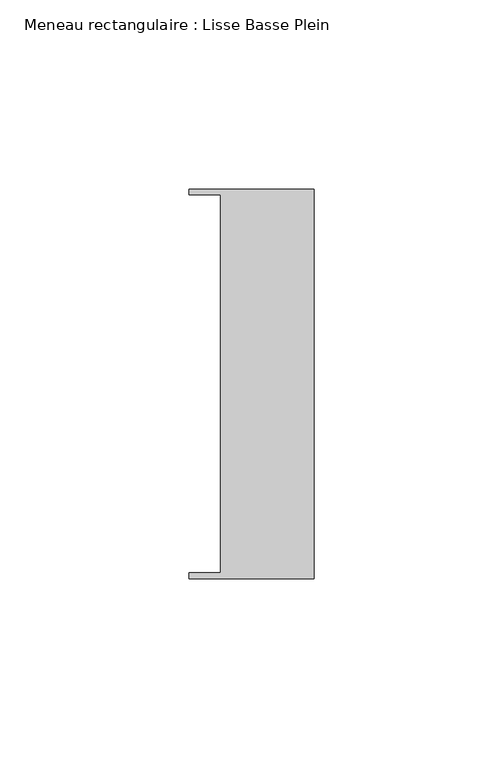
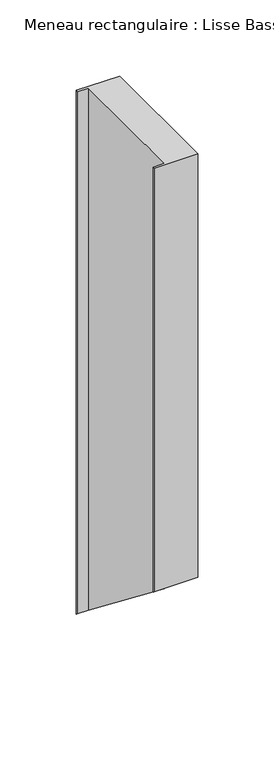
"""IFC4 building model written with IfcOpenShell, lengths in millimetres: member geometry, Meneau rectangulaire : Lisse Basse Plein."""

import ifcopenshell
import ifcopenshell.guid

model = None  # the IFC model being written
_history = None  # IfcOwnerHistory: only IFC2X3 demands one
_inside = {}  # id of a spatial element -> (the spatial element, [elements in it])
_under = {}  # id of a project, library or spatial element -> (it, [spatial elements below it])
_declared = {}  # id of a project -> (the project, [libraries it declares])
_typed = {}  # id of a type object -> (the type object, [elements of that type])
_made_of = {}  # id of a material, layer set ... -> (it, [elements and type objects made of it])


def new_model(schema):
    """Start an empty IFC model of exactly this schema.

    Asked for "IFC4X3", IfcOpenShell would pick the latest addendum, in which some entities
    have other attributes; the version numbers below select the first issue.
    IFC2X3 requires an IfcOwnerHistory on every rooted entity: one is made here for all.
    """
    global model, _history
    if schema == "IFC4X3":
        model = ifcopenshell.file(schema_version=(4, 3, 0, 0))
    else:
        model = ifcopenshell.file(schema=schema)
    _inside.clear()
    _under.clear()
    _declared.clear()
    _typed.clear()
    _made_of.clear()
    _history = None
    if model.schema == "IFC2X3":
        org = make("IfcOrganization", Name="unknown")
        user = make(
            "IfcPersonAndOrganization",
            ThePerson=make("IfcPerson", FamilyName="unknown"),
            TheOrganization=org,
        )
        app = make(
            "IfcApplication",
            ApplicationDeveloper=org,
            Version="unknown",
            ApplicationFullName="unknown",
            ApplicationIdentifier="unknown",
        )
        _history = make(
            "IfcOwnerHistory",
            OwningUser=user,
            OwningApplication=app,
            ChangeAction="ADDED",
            CreationDate=0,
        )
    return model


def make(cls, **values):
    """One entity of the class cls with the attributes given. An attribute that is None is left unset."""
    return model.create_entity(
        cls, **{name: value for name, value in values.items() if value is not None}
    )


def rooted(cls, **values):
    """An entity with a GlobalId (a new one), such as an element, a storey or a relation."""
    return make(cls, GlobalId=ifcopenshell.guid.new(), OwnerHistory=_history, **values)


def si_unit(unit_type, name, prefix=None):
    """IfcSIUnit, for example si_unit("LENGTHUNIT", "METRE", prefix="MILLI")."""
    return make("IfcSIUnit", UnitType=unit_type, Prefix=prefix, Name=name)


def assignment(units):
    """IfcUnitAssignment: the units of a project."""
    return None if units is None else make("IfcUnitAssignment", Units=units)


def point(xyz):
    """IfcCartesianPoint."""
    return None if xyz is None else make("IfcCartesianPoint", Coordinates=xyz)


def direction(xyz):
    """IfcDirection."""
    return None if xyz is None else make("IfcDirection", DirectionRatios=xyz)


def frame(location, z_axis=None, x_axis=None):
    """IfcAxis2Placement3D, a coordinate frame: its origin and axes. An axis left out is left unset."""
    return make(
        "IfcAxis2Placement3D",
        Location=point(location),
        Axis=direction(z_axis),
        RefDirection=direction(x_axis),
    )


def origin():
    """The frame at (0, 0, 0) with its axes left unset."""
    return frame((0.0, 0.0, 0.0))


def place(relative_to, where):
    """IfcLocalPlacement: puts the frame where relative to a parent placement (None: the world)."""
    return make(
        "IfcLocalPlacement", PlacementRelTo=relative_to, RelativePlacement=where
    )


def context(
    kind, dimensions, precision=None, world=None, true_north=None, identifier=None
):
    """IfcGeometricRepresentationContext, for example the 3D "Model" context."""
    return make(
        "IfcGeometricRepresentationContext",
        ContextIdentifier=identifier,
        ContextType=kind,
        CoordinateSpaceDimension=dimensions,
        Precision=precision,
        WorldCoordinateSystem=world,
        TrueNorth=true_north,
    )


def project(units=None, contexts=None):
    """IfcProject with its units and contexts."""
    return rooted(
        "IfcProject",
        Name="project",
        RepresentationContexts=contexts,
        UnitsInContext=assignment(units),
    )


def spatial(cls, under=None, at=None, **own):
    """A site, building, storey or space (cls), placed at a placement, below another one or the project."""
    s = rooted(cls, ObjectPlacement=at, **own)
    if under is not None:
        _under.setdefault(under.id(), (under, []))[1].append(s)
    return s


def faces_of(points, faces, orient=None, outer=None):
    """IfcFace entities. A face is a list of loops; a loop is a list of indices into points, from 0.

    orient and outer hold one flag for each loop. By default every Orientation is true, the
    first loop of a face is its IfcFaceOuterBound and the others are IfcFaceBound.
    """
    made = []
    for i, loops in enumerate(faces):
        bounds = []
        for j, loop in enumerate(loops):
            is_outer = j == 0 if outer is None else outer[i][j]
            bounds.append(
                make(
                    "IfcFaceOuterBound" if is_outer else "IfcFaceBound",
                    Bound=make("IfcPolyLoop", Polygon=[points[k] for k in loop]),
                    Orientation=True if orient is None else orient[i][j],
                )
            )
        made.append(make("IfcFace", Bounds=bounds))
    return made


def faceted_brep(points, faces, orient=None, outer=None, voids=None):
    """IfcFacetedBrep: a solid bounded by flat faces; with voids (closed shells), ...WithVoids."""
    shared = [point(p) for p in points]
    hull = make("IfcClosedShell", CfsFaces=faces_of(shared, faces, orient, outer))
    if voids is None:
        return make("IfcFacetedBrep", Outer=hull)
    return make(
        "IfcFacetedBrepWithVoids",
        Outer=hull,
        Voids=[
            make(cls, CfsFaces=faces_of(shared, fs, o, b)) for cls, fs, o, b in voids
        ],
    )


def shape(context_of_items, identifier, shape_type, items):
    """IfcShapeRepresentation: the items that make up one representation, for example the "Body"."""
    return make(
        "IfcShapeRepresentation",
        ContextOfItems=context_of_items,
        RepresentationIdentifier=identifier,
        RepresentationType=shape_type,
        Items=items,
    )


def source(mapping_origin, context_of_items, identifier, shape_type, items):
    """IfcRepresentationMap: a shape defined once, which mapped items show again and again."""
    return make(
        "IfcRepresentationMap",
        MappingOrigin=mapping_origin,
        MappedRepresentation=shape(context_of_items, identifier, shape_type, items),
    )


def transform(
    local_origin,
    x_axis=None,
    y_axis=None,
    z_axis=None,
    scale=None,
    scale2=None,
    scale3=None,
    uniform=True,
):
    """IfcCartesianTransformationOperator3D, or its non-uniform kind. x_axis, y_axis, z_axis: its Axis1, 2, 3."""
    if uniform:
        return make(
            "IfcCartesianTransformationOperator3D",
            Axis1=direction(x_axis),
            Axis2=direction(y_axis),
            LocalOrigin=point(local_origin),
            Scale=scale,
            Axis3=direction(z_axis),
        )
    return make(
        "IfcCartesianTransformationOperator3DnonUniform",
        Axis1=direction(x_axis),
        Axis2=direction(y_axis),
        LocalOrigin=point(local_origin),
        Scale=scale,
        Axis3=direction(z_axis),
        Scale2=scale2,
        Scale3=scale3,
    )


def mapped(mapping_source, mapping_target):
    """IfcMappedItem: shows the shape of a source again, moved by a transform."""
    return make(
        "IfcMappedItem", MappingSource=mapping_source, MappingTarget=mapping_target
    )


def made_of(thing, what):
    """Note that an element or type object is made of a material, layer set ...; save() writes the relation."""
    if what is not None:
        _made_of.setdefault(what.id(), (what, []))[1].append(thing)
    return thing


def element(
    cls,
    number,
    at=None,
    inside=None,
    cuts=None,
    type_object=None,
    material=None,
    context=None,
    identifier="Body",
    shape_type=None,
    held_by="IfcProductDefinitionShape",
    body=None,
    shapes=None,
    **own,
):
    """One element of the class cls, such as IfcWall. Its Tag is "e" and its number.

    at: its placement. inside: the storey or other place that contains it. cuts: it is an
    opening in that element (IfcRelVoidsElement). A single representation is given by context,
    identifier, shape_type and body (its items); several are given by shapes. held_by: the class
    of the entity that holds the representations. save() writes the other relations.
    """
    e = rooted(cls, Tag="e%d" % number, ObjectPlacement=at, **own)
    if body is not None:
        shapes = [shape(context, identifier, shape_type, body)]
    if shapes is not None:
        e.Representation = make(held_by, Representations=shapes)
    if inside is not None:
        _inside.setdefault(inside.id(), (inside, []))[1].append(e)
    if cuts is not None:
        rooted(
            "IfcRelVoidsElement", RelatingBuildingElement=cuts, RelatedOpeningElement=e
        )
    if type_object is not None:
        _typed.setdefault(type_object.id(), (type_object, []))[1].append(e)
    return made_of(e, material)


def aggregate(whole, parts):
    """IfcRelAggregates: a whole, such as a stair, and the parts it consists of."""
    return rooted("IfcRelAggregates", RelatingObject=whole, RelatedObjects=parts)


def save(model, path):
    """Write the relations noted so far, then the file.

    IfcRelAggregates (storeys below a building ...), IfcRelContainedInSpatialStructure (elements
    in a storey), IfcRelDefinesByType, IfcRelAssociatesMaterial and IfcRelDeclares: one each for
    every whole, place, type object, material and project.
    """
    for whole, parts in _under.values():
        aggregate(whole, parts)
    for where, things in _inside.values():
        rooted(
            "IfcRelContainedInSpatialStructure",
            RelatedElements=things,
            RelatingStructure=where,
        )
    for kind, things in _typed.values():
        rooted("IfcRelDefinesByType", RelatedObjects=things, RelatingType=kind)
    for what, things in _made_of.values():
        rooted("IfcRelAssociatesMaterial", RelatedObjects=things, RelatingMaterial=what)
    for by, libraries in _declared.values():
        rooted("IfcRelDeclares", RelatingContext=by, RelatedDefinitions=libraries)
    model.write(path)


def meneau_rectangulaire_lisse_basse_plein_b91ff2b4(model_context):
    return source(origin(), model_context, "Body", "Brep", [
        faceted_brep([(0.0, -51.5026203, 0.0), (0.0, 51.5026203, 0.0), (-33.0710396, 51.5026203, 0.0), (-33.0710396, 49.9505686, 0.0), (-24.7130865, 49.9505686, 0.0), (-24.7130865, -49.9505686, 0.0), (-33.0710396, -49.9505686, 0.0), (-33.0710396, -51.5026203, 0.0), (0.0, -51.5026203, -339.9779816), (0.0, 51.5026203, -420.2931512), (-33.0710396, 51.5026203, -420.2931512), (-33.0710396, 49.9505686, -419.0829867), (-24.7130865, 49.9505686, -419.0829867), (-24.7130865, -49.9505686, -341.1881462), (-33.0710396, -49.9505686, -341.1881462), (-33.0710396, -51.5026203, -339.9779816)], [[[0, 1, 2, 3, 4, 5, 6, 7]], [[1, 0, 8, 9]], [[2, 1, 9, 10]], [[3, 2, 10, 11]], [[4, 3, 11, 12]], [[5, 4, 12, 13]], [[6, 5, 13, 14]], [[7, 6, 14, 15]], [[0, 7, 15, 8]], [[8, 15, 14, 13, 12, 11, 10, 9]]]),
    ])


if __name__ == "__main__":
    model = new_model("IFC4")
    model_context = context("Model", 3, world=origin())
    ifc_project = project(units=[si_unit("LENGTHUNIT", "METRE", prefix="MILLI")], contexts=[model_context])
    site = spatial("IfcSite", under=ifc_project)
    building = spatial("IfcBuilding", under=site)
    placement = place(None, origin())
    meneau_rectangulaire_lisse_basse_plein_shape = meneau_rectangulaire_lisse_basse_plein_b91ff2b4(model_context)
    element("IfcMember", 1, ObjectType="Meneau rectangulaire : Lisse Basse Plein", at=placement, inside=building, context=model_context, shape_type="MappedRepresentation", body=[
        mapped(meneau_rectangulaire_lisse_basse_plein_shape, transform((0.0, 0.0, 0.0), x_axis=(1.0, 0.0, 0.0), y_axis=(0.0, 1.0, 0.0), z_axis=(0.0, 0.0, 1.0))),
    ])
    save(model, "model.ifc")
